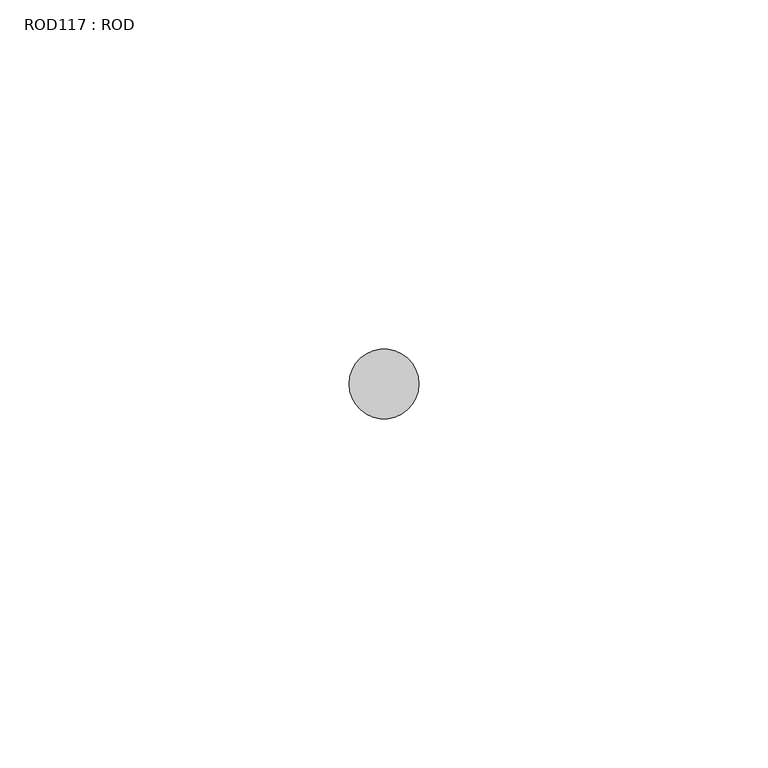
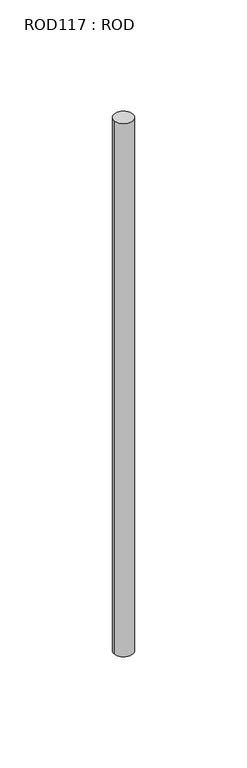
"""IFC4 building model written with IfcOpenShell, lengths in millimetres: proxy geometry, ROD117 : ROD."""

from ifc_helpers import new_model, si_unit, point, frame, frame_2d, origin, place, context, project, spatial, circle_curve, trimmed, segment, composite_curve, outline, extrude, source, transform, mapped, element, save


def rod117_rod_2e244fc2(model_context):
    return source(origin(), model_context, "Body", "SweptSolid", [
        extrude(outline(composite_curve([segment(trimmed(circle_curve(frame_2d((8699.7673324, -10268.1048728)), 5.0), [point((8694.7673324, -10268.1048728))], [point((8704.7673324, -10268.1048728))], False, "CARTESIAN"), True, "CONTINUOUS"), segment(trimmed(circle_curve(frame_2d((8699.7673324, -10268.1048728)), 5.0), [point((8704.7673324, -10268.1048728))], [point((8694.7673324, -10268.1048728))], False, "CARTESIAN"), True, "CONTINUOUS")], self_intersect=False)), frame((0.0, 0.0, -108.6608845), z_axis=(0.0, 0.0, 1.0), x_axis=(1.0, 0.0, 0.0)), (0.0, 0.0, 1.0), 298.9028972),
    ])


if __name__ == "__main__":
    model = new_model("IFC4")
    model_context = context("Model", 3, world=origin())
    ifc_project = project(units=[si_unit("LENGTHUNIT", "METRE", prefix="MILLI")], contexts=[model_context])
    site = spatial("IfcSite", under=ifc_project)
    building = spatial("IfcBuilding", under=site)
    placement = place(None, origin())
    rod117_rod_shape = rod117_rod_2e244fc2(model_context)
    element("IfcBuildingElementProxy", 1, Name="ROD117 : ROD", ObjectType="ROD117 : ROD", at=placement, inside=building, context=model_context, shape_type="MappedRepresentation", body=[
        mapped(rod117_rod_shape, transform((0.0, 0.0, 0.0), x_axis=(1.0, 0.0, 0.0), y_axis=(0.0, 1.0, 0.0), z_axis=(0.0, 0.0, 1.0))),
    ])
    save(model, "model.ifc")
